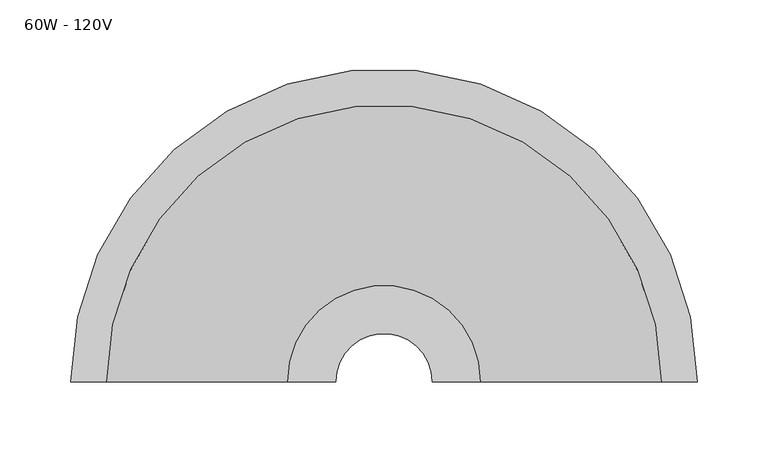
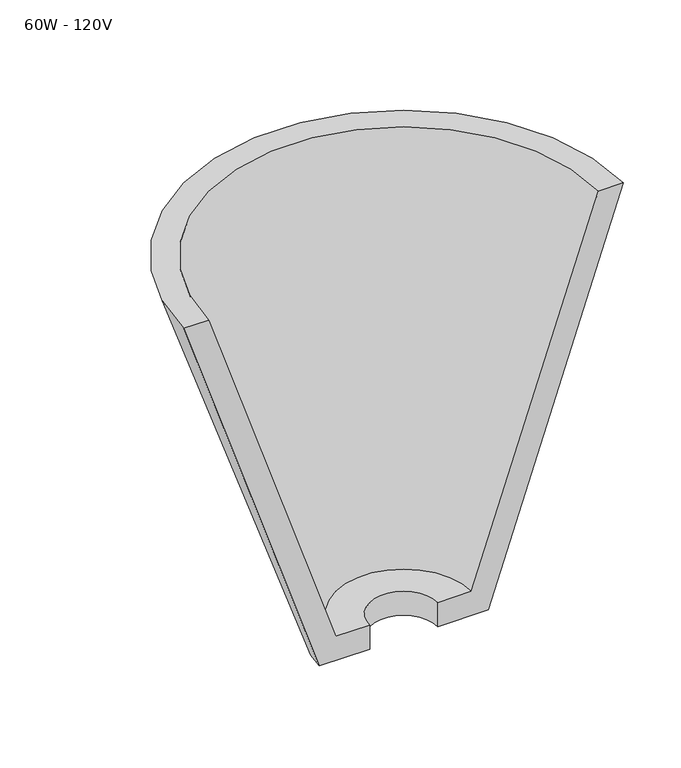
"""IFC4 building model written with IfcOpenShell, lengths in millimetres: light fixture geometry, 60W - 120V."""

from ifc_helpers import new_model, si_unit, frame, origin, place, context, project, spatial, polyline, circle_curve, source, transform, mapped, element, save
from ifc_brep_helpers import plane_surface, revolved_surface, advanced_brep


def light_fixture_60w_120v_0cb14559(model_context):
    return source(origin(), model_context, "Body", "AdvancedBrep", [
        advanced_brep(
        [(-221.2056669, 82.0, 2103.2), (-85.0253975, 82.0, 1696.8), (-34.2253975, 82.0, 1696.8), (-34.2253975, 82.0, 1722.2), (-68.1366644, 82.0, 1722.2), (-195.8056669, 82.0, 2103.2), (221.2056669, 82.0, 2103.2), (195.8056669, 82.0, 2103.2), (68.1366644, 82.0, 1722.2), (34.2253975, 82.0, 1722.2), (34.2253975, 82.0, 1696.8), (85.0253975, 82.0, 1696.8)],
        [
            (0, 1),
            (1, 2),
            (2, 3),
            (3, 4),
            (4, 5),
            (5, 0),
            (6, 7),
            (7, 8),
            (8, 9),
            (9, 10),
            (10, 11),
            (11, 6),
            (11, 1, circle_curve(frame((0.0, 82.0, 1696.8), z_axis=(0.0, 0.0, 1.0), x_axis=(-1.0, 0.0, 0.0)), 85.0253975)),
            (0, 6, circle_curve(frame((0.0, 82.0, 2103.2), z_axis=(0.0, 0.0, -1.0), x_axis=(-1.0, 0.0, 0.0)), 221.2056669)),
            (10, 2, circle_curve(frame((0.0, 82.0, 1696.8), z_axis=(0.0, 0.0, 1.0), x_axis=(-1.0, 0.0, 0.0)), 34.2253975)),
            (9, 3, circle_curve(frame((0.0, 82.0, 1722.2), z_axis=(0.0, 0.0, 1.0), x_axis=(-1.0, 0.0, 0.0)), 34.2253975)),
            (8, 4, circle_curve(frame((0.0, 82.0, 1722.2), z_axis=(0.0, 0.0, 1.0), x_axis=(-1.0, 0.0, 0.0)), 68.1366644)),
            (7, 5, circle_curve(frame((0.0, 82.0, 2103.2), z_axis=(0.0, 0.0, 1.0), x_axis=(-1.0, 0.0, 0.0)), 195.8056669)),
        ],
        [
            plane_surface(frame((0.0, 82.0, 1936.774367), z_axis=(0.0, -1.0, 0.0), x_axis=(-1.0, 0.0, 0.0))),
            plane_surface(frame((0.0, 82.0, 1936.774367), z_axis=(0.0, -1.0, 0.0), x_axis=(1.0, 0.0, 0.0))),
            revolved_surface(polyline([(-221.2056669, 82.0, 2103.2), (-85.0253975, 82.0, 1696.8)]), (0.0, 82.0, 1936.774367), (0.0, 0.0, -1.0)),
            plane_surface(frame((0.0, 82.0, 1696.8), z_axis=(0.0, 0.0, -1.0), x_axis=(-1.0, 0.0, 0.0))),
            revolved_surface(polyline([(-34.2253975, 82.0, 1696.8), (-34.2253975, 82.0, 1722.2)]), (0.0, 82.0, 1936.774367), (0.0, 0.0, -1.0)),
            plane_surface(frame((0.0, 82.0, 1722.2), z_axis=(0.0, 0.0, 1.0), x_axis=(-1.0, 0.0, 0.0))),
            revolved_surface(polyline([(-68.1366644, 82.0, 1722.2), (-195.8056669, 82.0, 2103.2)]), (0.0, 82.0, 1936.774367), (0.0, 0.0, -1.0)),
            plane_surface(frame((0.0, 82.0, 2103.2), z_axis=(0.0, 0.0, 1.0), x_axis=(-1.0, 0.0, 0.0))),
        ],
        [
            (0, [[1, 2, 3, 4, 5, 6]]),
            (1, [[7, 8, 9, 10, 11, 12]]),
            (2, [[13, -1, 14, -12]]),
            (3, [[15, -2, -13, -11]]),
            (4, [[16, -3, -15, -10]]),
            (5, [[17, -4, -16, -9]]),
            (6, [[18, -5, -17, -8]]),
            (7, [[-14, -6, -18, -7]]),
        ],
    ),
    ])


if __name__ == "__main__":
    model = new_model("IFC4")
    model_context = context("Model", 3, world=origin())
    ifc_project = project(units=[si_unit("LENGTHUNIT", "METRE", prefix="MILLI")], contexts=[model_context])
    site = spatial("IfcSite", under=ifc_project)
    building = spatial("IfcBuilding", under=site)
    placement = place(None, origin())
    light_fixture_60w_120v_shape = light_fixture_60w_120v_0cb14559(model_context)
    element("IfcLightFixture", 1, ObjectType="60W - 120V", at=placement, inside=building, context=model_context, shape_type="MappedRepresentation", body=[
        mapped(light_fixture_60w_120v_shape, transform((0.0, 0.0, 0.0), x_axis=(1.0, 0.0, 0.0), y_axis=(0.0, 1.0, 0.0), z_axis=(0.0, 0.0, 1.0))),
    ])
    save(model, "model.ifc")
